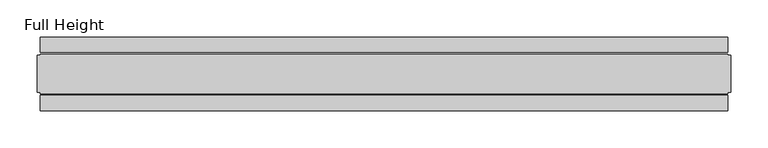
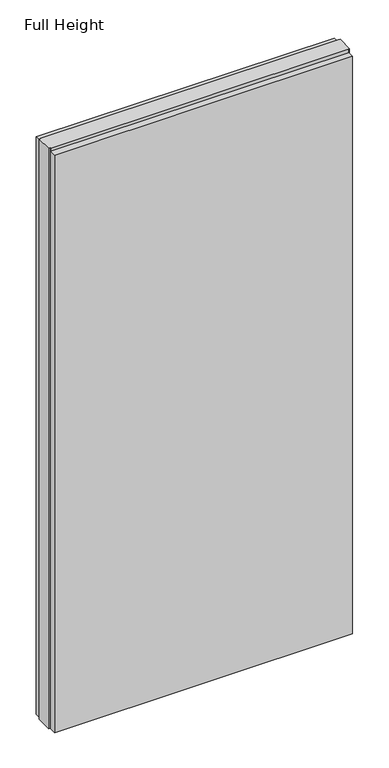
"""IFC4 building model written with IfcOpenShell, lengths in millimetres: plate geometry, Full Height."""

from ifc_helpers import new_model, si_unit, origin, origin_with_axes, place, context, project, spatial, polyline, outline, extrude, source, transform, mapped, element, save


def full_height_78bc24d5(model_context):
    return source(origin(), model_context, "Body", "SweptSolid", [
        extrude(outline(polyline([(463.0738276, 28.956), (-463.0738276, 28.956), (-463.0738276, 49.53), (463.0738276, 49.53), (463.0738276, 28.956)])), origin_with_axes(), (0.0, 0.0, 1.0), 1895.856),
        extrude(outline(polyline([(463.0738276, -28.956), (463.0738276, -49.53), (-463.0738276, -49.53), (-463.0738276, -28.956), (463.0738276, -28.956)])), origin_with_axes(), (0.0, 0.0, 1.0), 1895.856),
        extrude(outline(polyline([(463.0738276, -25.146), (463.0738276, -26.67), (-463.0738276, -26.67), (-463.0738276, -25.146), (-467.6458276, -25.146), (-467.6458276, 25.146), (-463.0738276, 25.146), (-463.0738276, 26.67), (463.0738276, 26.67), (463.0738276, 25.146), (467.6458276, 25.146), (467.6458276, -25.146), (463.0738276, -25.146)])), origin_with_axes(), (0.0, 0.0, 1.0), 1905.0),
    ])


if __name__ == "__main__":
    model = new_model("IFC4")
    model_context = context("Model", 3, world=origin())
    ifc_project = project(units=[si_unit("LENGTHUNIT", "METRE", prefix="MILLI")], contexts=[model_context])
    site = spatial("IfcSite", under=ifc_project)
    building = spatial("IfcBuilding", under=site)
    placement = place(None, origin())
    full_height_shape = full_height_78bc24d5(model_context)
    element("IfcPlate", 1, ObjectType="Full Height", at=placement, inside=building, context=model_context, shape_type="MappedRepresentation", body=[
        mapped(full_height_shape, transform((0.0, 0.0, 0.0), x_axis=(1.0, 0.0, 0.0), y_axis=(0.0, 1.0, 0.0), z_axis=(0.0, 0.0, 1.0))),
    ])
    save(model, "model.ifc")
